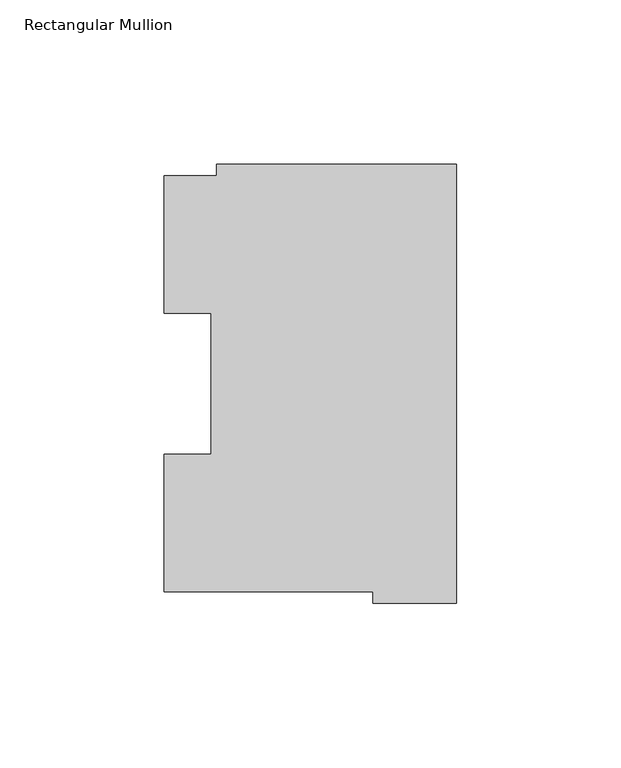
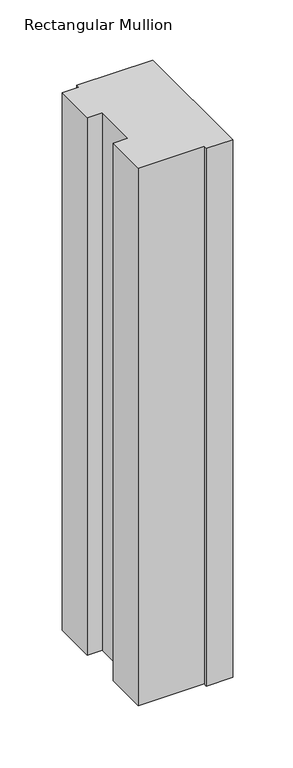
"""IFC4 building model written with IfcOpenShell, lengths in millimetres: member geometry, Rectangular Mullion."""

from ifc_helpers import new_model, si_unit, frame, origin, place, context, project, spatial, polyline, outline, extrude, source, transform, mapped, element, save


def rectangular_mullion_deb08b13(model_context):
    return source(origin(), model_context, "Body", "SweptSolid", [
        extrude(outline(polyline([(-72.9776553, 129.8730275), (0.0, 129.8730275), (0.0, -3.4911943), (-25.3822228, -3.4911943), (-25.3822228, -0.0373063), (-88.8822228, -0.0373063), (-88.8822228, 41.7508474), (-74.5923808, 41.7508474), (-74.5923808, 84.6335938), (-88.8822228, 84.6335938), (-88.8822228, 126.4546938), (-72.9776553, 126.4546938), (-72.9776553, 129.8730275)])), frame((0.0, 0.0, -546.1), z_axis=(0.0, 0.0, 1.0), x_axis=(1.0, 0.0, 0.0)), (0.0, 0.0, 1.0), 546.1),
    ])


if __name__ == "__main__":
    model = new_model("IFC4")
    model_context = context("Model", 3, world=origin())
    ifc_project = project(units=[si_unit("LENGTHUNIT", "METRE", prefix="MILLI")], contexts=[model_context])
    site = spatial("IfcSite", under=ifc_project)
    building = spatial("IfcBuilding", under=site)
    placement = place(None, origin())
    rectangular_mullion_shape = rectangular_mullion_deb08b13(model_context)
    element("IfcMember", 1, ObjectType="Rectangular Mullion", at=placement, inside=building, context=model_context, shape_type="MappedRepresentation", body=[
        mapped(rectangular_mullion_shape, transform((0.0, 0.0, 0.0), x_axis=(1.0, 0.0, 0.0), y_axis=(0.0, 1.0, 0.0), z_axis=(0.0, 0.0, 1.0))),
    ])
    save(model, "model.ifc")
